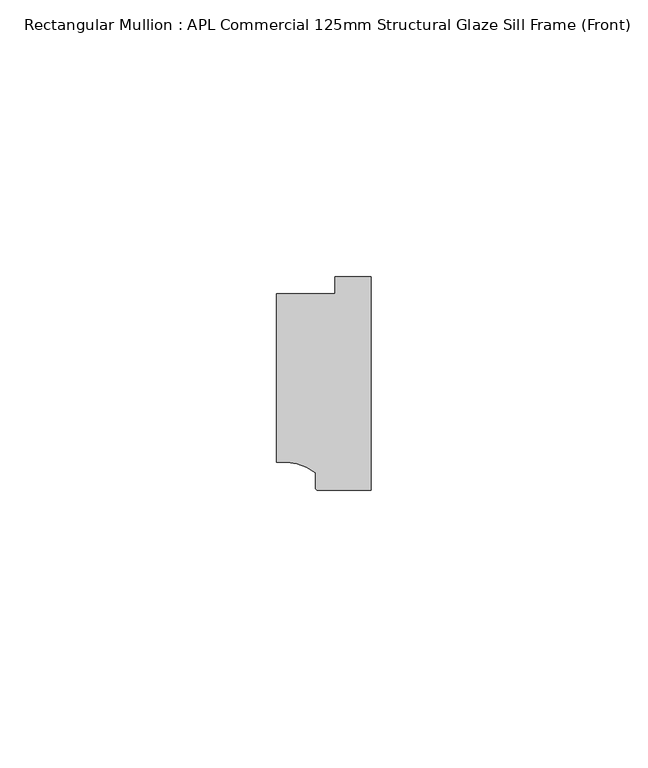
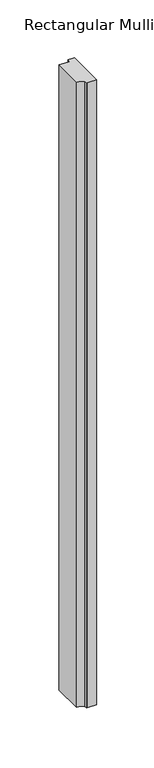
"""IFC4 building model written with IfcOpenShell, lengths in millimetres: member geometry, Rectangular Mullion : APL Commercial 125mm Structural Glaze Sill Frame (Front)."""

from ifc_helpers import new_model, si_unit, point, frame, frame_2d, origin, place, context, project, spatial, polyline, circle_curve, trimmed, segment, composite_curve, outline, extrude, source, transform, mapped, element, save


def rectangular_mullion_apl_commercial_125mm_structural_glaze_432b313e(model_context):
    return source(origin(), model_context, "Body", "SweptSolid", [
        extrude(outline(composite_curve([segment(polyline([(-16.999942, -15.3793144), (-16.999942, 15.0004332), (-6.5000029, 15.0004332), (-6.5000029, 18.0281616), (0.0, 18.0281616), (0.0, -20.49978), (-9.5000029, -20.49978)]), True, "CONTINUOUS"), segment(trimmed(circle_curve(frame_2d((-9.5000029, -19.99978)), 0.5), [point((-9.5000029, -20.49978))], [point((-10.0, -19.9980675))], False, "CARTESIAN"), True, "CONTINUOUS"), segment(polyline([(-10.0, -19.9980675), (-10.0, -17.3120901)]), True, "CONTINUOUS"), segment(trimmed(circle_curve(frame_2d((-16.1098048, -25.7977481)), 10.4563907), [point((-10.0, -17.3120901))], [point((-16.999942, -15.3793144))], True, "CARTESIAN"), True, "CONTINUOUS")], self_intersect=False)), frame((0.0, 0.0, -662.0000913), z_axis=(0.0, 0.0, 1.0), x_axis=(1.0, 0.0, 0.0)), (0.0, 0.0, 1.0), 662.0000913),
    ])


if __name__ == "__main__":
    model = new_model("IFC4")
    model_context = context("Model", 3, world=origin())
    ifc_project = project(units=[si_unit("LENGTHUNIT", "METRE", prefix="MILLI")], contexts=[model_context])
    site = spatial("IfcSite", under=ifc_project)
    building = spatial("IfcBuilding", under=site)
    placement = place(None, origin())
    rectangular_mullion_apl_commercial_125mm_structural_glaze_shape = rectangular_mullion_apl_commercial_125mm_structural_glaze_432b313e(model_context)
    element("IfcMember", 1, ObjectType="Rectangular Mullion : APL Commercial 125mm Structural Glaze Sill Frame (Front)", at=placement, inside=building, context=model_context, shape_type="MappedRepresentation", body=[
        mapped(rectangular_mullion_apl_commercial_125mm_structural_glaze_shape, transform((0.0, 0.0, 0.0), x_axis=(1.0, 0.0, 0.0), y_axis=(0.0, 1.0, 0.0), z_axis=(0.0, 0.0, 1.0))),
    ])
    save(model, "model.ifc")
